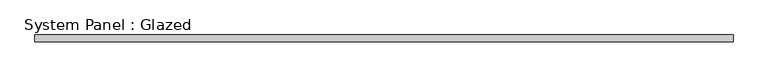
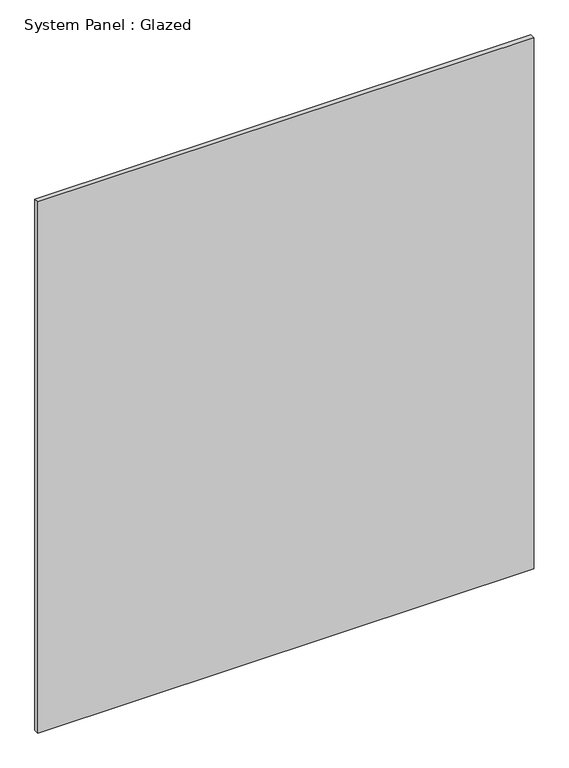
"""IFC4 building model written with IfcOpenShell, lengths in millimetres: plate geometry, System Panel : Glazed."""

from ifc_helpers import new_model, si_unit, origin, origin_with_axes, place, context, project, spatial, polyline, outline, extrude, source, transform, mapped, element, save


def system_panel_glazed_d8447494(model_context):
    return source(origin(), model_context, "Body", "SweptSolid", [
        extrude(outline(polyline([(662.5, -6.5), (-662.5, -6.5), (-662.5, 6.5), (662.5, 6.5), (662.5, -6.5)])), origin_with_axes(), (0.0, 0.0, 1.0), 1500.0),
    ])


if __name__ == "__main__":
    model = new_model("IFC4")
    model_context = context("Model", 3, world=origin())
    ifc_project = project(units=[si_unit("LENGTHUNIT", "METRE", prefix="MILLI")], contexts=[model_context])
    site = spatial("IfcSite", under=ifc_project)
    building = spatial("IfcBuilding", under=site)
    placement = place(None, origin())
    system_panel_glazed_shape = system_panel_glazed_d8447494(model_context)
    element("IfcPlate", 1, ObjectType="System Panel : Glazed", at=placement, inside=building, context=model_context, shape_type="MappedRepresentation", body=[
        mapped(system_panel_glazed_shape, transform((0.0, 0.0, 0.0), x_axis=(1.0, 0.0, 0.0), y_axis=(0.0, 1.0, 0.0), z_axis=(0.0, 0.0, 1.0))),
    ])
    save(model, "model.ifc")
